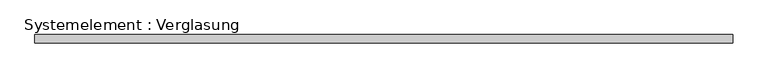
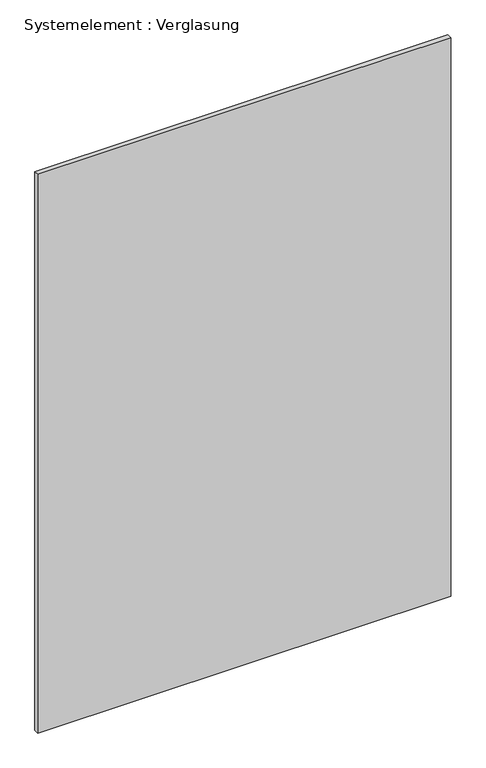
"""IFC4 building model written with IfcOpenShell, lengths in millimetres: plate geometry, Systemelement : Verglasung."""

from ifc_helpers import new_model, si_unit, origin, origin_with_axes, place, context, project, spatial, polyline, outline, extrude, source, transform, mapped, element, save


def systemelement_verglasung_39e008c9(model_context):
    return source(origin(), model_context, "Body", "SweptSolid", [
        extrude(outline(polyline([(1274.5224905, -15.0), (-1274.5224905, -15.0), (-1274.5224905, 15.0), (1274.5224905, 15.0), (1274.5224905, -15.0)])), origin_with_axes(), (0.0, 0.0, 1.0), 3645.0),
    ])


if __name__ == "__main__":
    model = new_model("IFC4")
    model_context = context("Model", 3, world=origin())
    ifc_project = project(units=[si_unit("LENGTHUNIT", "METRE", prefix="MILLI")], contexts=[model_context])
    site = spatial("IfcSite", under=ifc_project)
    building = spatial("IfcBuilding", under=site)
    placement = place(None, origin())
    systemelement_verglasung_shape = systemelement_verglasung_39e008c9(model_context)
    element("IfcPlate", 1, ObjectType="Systemelement : Verglasung", at=placement, inside=building, context=model_context, shape_type="MappedRepresentation", body=[
        mapped(systemelement_verglasung_shape, transform((0.0, 0.0, 0.0), x_axis=(1.0, 0.0, 0.0), y_axis=(0.0, 1.0, 0.0), z_axis=(0.0, 0.0, 1.0))),
    ])
    save(model, "model.ifc")
